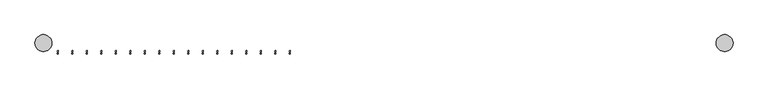
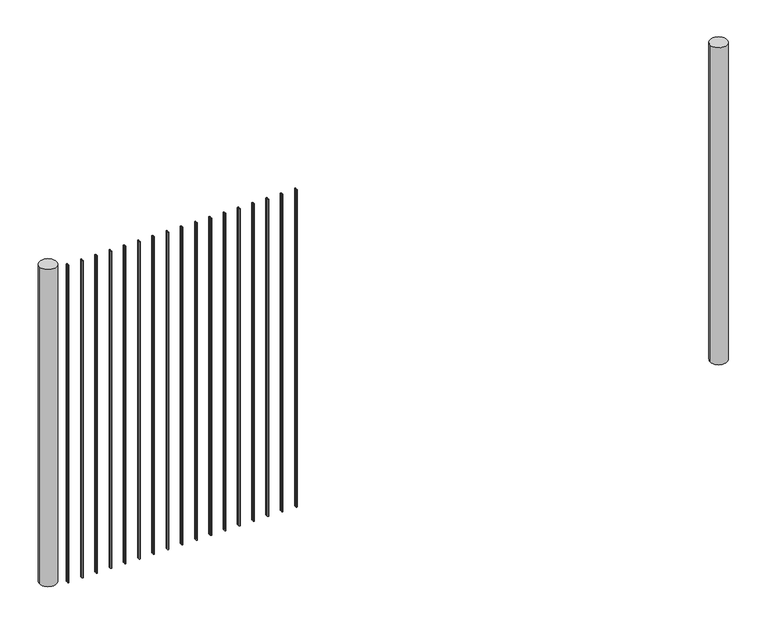
"""IFC4 building model written with IfcOpenShell, lengths in millimetres: railing geometry."""

import ifcopenshell
import ifcopenshell.guid

model = None  # the IFC model being written
_history = None  # IfcOwnerHistory: only IFC2X3 demands one
_inside = {}  # id of a spatial element -> (the spatial element, [elements in it])
_under = {}  # id of a project, library or spatial element -> (it, [spatial elements below it])
_declared = {}  # id of a project -> (the project, [libraries it declares])
_typed = {}  # id of a type object -> (the type object, [elements of that type])
_made_of = {}  # id of a material, layer set ... -> (it, [elements and type objects made of it])


def new_model(schema):
    """Start an empty IFC model of exactly this schema.

    Asked for "IFC4X3", IfcOpenShell would pick the latest addendum, in which some entities
    have other attributes; the version numbers below select the first issue.
    IFC2X3 requires an IfcOwnerHistory on every rooted entity: one is made here for all.
    """
    global model, _history
    if schema == "IFC4X3":
        model = ifcopenshell.file(schema_version=(4, 3, 0, 0))
    else:
        model = ifcopenshell.file(schema=schema)
    _inside.clear()
    _under.clear()
    _declared.clear()
    _typed.clear()
    _made_of.clear()
    _history = None
    if model.schema == "IFC2X3":
        org = make("IfcOrganization", Name="unknown")
        user = make(
            "IfcPersonAndOrganization",
            ThePerson=make("IfcPerson", FamilyName="unknown"),
            TheOrganization=org,
        )
        app = make(
            "IfcApplication",
            ApplicationDeveloper=org,
            Version="unknown",
            ApplicationFullName="unknown",
            ApplicationIdentifier="unknown",
        )
        _history = make(
            "IfcOwnerHistory",
            OwningUser=user,
            OwningApplication=app,
            ChangeAction="ADDED",
            CreationDate=0,
        )
    return model


def make(cls, **values):
    """One entity of the class cls with the attributes given. An attribute that is None is left unset."""
    return model.create_entity(
        cls, **{name: value for name, value in values.items() if value is not None}
    )


def rooted(cls, **values):
    """An entity with a GlobalId (a new one), such as an element, a storey or a relation."""
    return make(cls, GlobalId=ifcopenshell.guid.new(), OwnerHistory=_history, **values)


def si_unit(unit_type, name, prefix=None):
    """IfcSIUnit, for example si_unit("LENGTHUNIT", "METRE", prefix="MILLI")."""
    return make("IfcSIUnit", UnitType=unit_type, Prefix=prefix, Name=name)


def assignment(units):
    """IfcUnitAssignment: the units of a project."""
    return None if units is None else make("IfcUnitAssignment", Units=units)


def point(xyz):
    """IfcCartesianPoint."""
    return None if xyz is None else make("IfcCartesianPoint", Coordinates=xyz)


def direction(xyz):
    """IfcDirection."""
    return None if xyz is None else make("IfcDirection", DirectionRatios=xyz)


def frame(location, z_axis=None, x_axis=None):
    """IfcAxis2Placement3D, a coordinate frame: its origin and axes. An axis left out is left unset."""
    return make(
        "IfcAxis2Placement3D",
        Location=point(location),
        Axis=direction(z_axis),
        RefDirection=direction(x_axis),
    )


def frame_2d(location, x_axis=None):
    """IfcAxis2Placement2D, a coordinate frame in the plane: its origin and x axis."""
    return make(
        "IfcAxis2Placement2D", Location=point(location), RefDirection=direction(x_axis)
    )


def origin():
    """The frame at (0, 0, 0) with its axes left unset."""
    return frame((0.0, 0.0, 0.0))


def place(relative_to, where):
    """IfcLocalPlacement: puts the frame where relative to a parent placement (None: the world)."""
    return make(
        "IfcLocalPlacement", PlacementRelTo=relative_to, RelativePlacement=where
    )


def context(
    kind, dimensions, precision=None, world=None, true_north=None, identifier=None
):
    """IfcGeometricRepresentationContext, for example the 3D "Model" context."""
    return make(
        "IfcGeometricRepresentationContext",
        ContextIdentifier=identifier,
        ContextType=kind,
        CoordinateSpaceDimension=dimensions,
        Precision=precision,
        WorldCoordinateSystem=world,
        TrueNorth=true_north,
    )


def project(units=None, contexts=None):
    """IfcProject with its units and contexts."""
    return rooted(
        "IfcProject",
        Name="project",
        RepresentationContexts=contexts,
        UnitsInContext=assignment(units),
    )


def spatial(cls, under=None, at=None, **own):
    """A site, building, storey or space (cls), placed at a placement, below another one or the project."""
    s = rooted(cls, ObjectPlacement=at, **own)
    if under is not None:
        _under.setdefault(under.id(), (under, []))[1].append(s)
    return s


def circle_curve(where, radius):
    """IfcCircle in the frame where."""
    return make("IfcCircle", Position=where, Radius=radius)


def trimmed(basis, trim1, trim2, sense, master):
    """IfcTrimmedCurve: the piece of a basis curve between two trims."""
    return make(
        "IfcTrimmedCurve",
        BasisCurve=basis,
        Trim1=trim1,
        Trim2=trim2,
        SenseAgreement=sense,
        MasterRepresentation=master,
    )


def segment(curve, same_sense, transition):
    """IfcCompositeCurveSegment."""
    return make(
        "IfcCompositeCurveSegment",
        Transition=transition,
        SameSense=same_sense,
        ParentCurve=curve,
    )


def composite_curve(segments, self_intersect=None):
    """IfcCompositeCurve: segments joined end to end."""
    return make("IfcCompositeCurve", Segments=segments, SelfIntersect=self_intersect)


def outline(outer, holes=None, kind="AREA"):
    """IfcArbitraryClosedProfileDef: a profile drawn as a closed curve; with holes, ...WithVoids."""
    if holes is None:
        return make("IfcArbitraryClosedProfileDef", ProfileType=kind, OuterCurve=outer)
    return make(
        "IfcArbitraryProfileDefWithVoids",
        ProfileType=kind,
        OuterCurve=outer,
        InnerCurves=holes,
    )


def extrude(swept, where, along, depth):
    """IfcExtrudedAreaSolid: the profile swept, set in the frame where, extruded along a direction by depth."""
    return make(
        "IfcExtrudedAreaSolid",
        SweptArea=swept,
        Position=where,
        ExtrudedDirection=direction(along),
        Depth=depth,
    )


def shape(context_of_items, identifier, shape_type, items):
    """IfcShapeRepresentation: the items that make up one representation, for example the "Body"."""
    return make(
        "IfcShapeRepresentation",
        ContextOfItems=context_of_items,
        RepresentationIdentifier=identifier,
        RepresentationType=shape_type,
        Items=items,
    )


def source(mapping_origin, context_of_items, identifier, shape_type, items):
    """IfcRepresentationMap: a shape defined once, which mapped items show again and again."""
    return make(
        "IfcRepresentationMap",
        MappingOrigin=mapping_origin,
        MappedRepresentation=shape(context_of_items, identifier, shape_type, items),
    )


def transform(
    local_origin,
    x_axis=None,
    y_axis=None,
    z_axis=None,
    scale=None,
    scale2=None,
    scale3=None,
    uniform=True,
):
    """IfcCartesianTransformationOperator3D, or its non-uniform kind. x_axis, y_axis, z_axis: its Axis1, 2, 3."""
    if uniform:
        return make(
            "IfcCartesianTransformationOperator3D",
            Axis1=direction(x_axis),
            Axis2=direction(y_axis),
            LocalOrigin=point(local_origin),
            Scale=scale,
            Axis3=direction(z_axis),
        )
    return make(
        "IfcCartesianTransformationOperator3DnonUniform",
        Axis1=direction(x_axis),
        Axis2=direction(y_axis),
        LocalOrigin=point(local_origin),
        Scale=scale,
        Axis3=direction(z_axis),
        Scale2=scale2,
        Scale3=scale3,
    )


def mapped(mapping_source, mapping_target):
    """IfcMappedItem: shows the shape of a source again, moved by a transform."""
    return make(
        "IfcMappedItem", MappingSource=mapping_source, MappingTarget=mapping_target
    )


def made_of(thing, what):
    """Note that an element or type object is made of a material, layer set ...; save() writes the relation."""
    if what is not None:
        _made_of.setdefault(what.id(), (what, []))[1].append(thing)
    return thing


def element(
    cls,
    number,
    at=None,
    inside=None,
    cuts=None,
    type_object=None,
    material=None,
    context=None,
    identifier="Body",
    shape_type=None,
    held_by="IfcProductDefinitionShape",
    body=None,
    shapes=None,
    **own,
):
    """One element of the class cls, such as IfcWall. Its Tag is "e" and its number.

    at: its placement. inside: the storey or other place that contains it. cuts: it is an
    opening in that element (IfcRelVoidsElement). A single representation is given by context,
    identifier, shape_type and body (its items); several are given by shapes. held_by: the class
    of the entity that holds the representations. save() writes the other relations.
    """
    e = rooted(cls, Tag="e%d" % number, ObjectPlacement=at, **own)
    if body is not None:
        shapes = [shape(context, identifier, shape_type, body)]
    if shapes is not None:
        e.Representation = make(held_by, Representations=shapes)
    if inside is not None:
        _inside.setdefault(inside.id(), (inside, []))[1].append(e)
    if cuts is not None:
        rooted(
            "IfcRelVoidsElement", RelatingBuildingElement=cuts, RelatedOpeningElement=e
        )
    if type_object is not None:
        _typed.setdefault(type_object.id(), (type_object, []))[1].append(e)
    return made_of(e, material)


def aggregate(whole, parts):
    """IfcRelAggregates: a whole, such as a stair, and the parts it consists of."""
    return rooted("IfcRelAggregates", RelatingObject=whole, RelatedObjects=parts)


def save(model, path):
    """Write the relations noted so far, then the file.

    IfcRelAggregates (storeys below a building ...), IfcRelContainedInSpatialStructure (elements
    in a storey), IfcRelDefinesByType, IfcRelAssociatesMaterial and IfcRelDeclares: one each for
    every whole, place, type object, material and project.
    """
    for whole, parts in _under.values():
        aggregate(whole, parts)
    for where, things in _inside.values():
        rooted(
            "IfcRelContainedInSpatialStructure",
            RelatedElements=things,
            RelatingStructure=where,
        )
    for kind, things in _typed.values():
        rooted("IfcRelDefinesByType", RelatedObjects=things, RelatingType=kind)
    for what, things in _made_of.values():
        rooted("IfcRelAssociatesMaterial", RelatedObjects=things, RelatingMaterial=what)
    for by, libraries in _declared.values():
        rooted("IfcRelDeclares", RelatingContext=by, RelatedDefinitions=libraries)
    model.write(path)


def railing_dc4188cf(model_context):
    return source(origin(), model_context, "Body", "SweptSolid", [
        extrude(outline(composite_curve([segment(trimmed(circle_curve(frame_2d((-10403.4836695, -1794.6212363)), 2.0574), [point((-10403.4836695, -1796.6786363))], [point((-10403.4836695, -1792.5638363))], False, "CARTESIAN"), True, "CONTINUOUS"), segment(trimmed(circle_curve(frame_2d((-10403.4836695, -1794.6212363)), 2.0574), [point((-10403.4836695, -1792.5638363))], [point((-10403.4836695, -1796.6786363))], False, "CARTESIAN"), True, "CONTINUOUS")], self_intersect=False)), frame((0.0, 0.0, 7620.0), z_axis=(0.0, 0.0, 1.0), x_axis=(1.0, 0.0, 0.0)), (0.0, 0.0, 1.0), 1219.2),
        extrude(outline(composite_curve([segment(trimmed(circle_curve(frame_2d((-10403.4836695, -1802.8508363)), 2.0574), [point((-10403.4836695, -1800.7934363))], [point((-10403.4836695, -1804.9082363))], False, "CARTESIAN"), True, "CONTINUOUS"), segment(trimmed(circle_curve(frame_2d((-10403.4836695, -1802.8508363)), 2.0574), [point((-10403.4836695, -1804.9082363))], [point((-10403.4836695, -1800.7934363))], False, "CARTESIAN"), True, "CONTINUOUS")], self_intersect=False)), frame((0.0, 0.0, 7620.0), z_axis=(0.0, 0.0, 1.0), x_axis=(1.0, 0.0, 0.0)), (0.0, 0.0, 1.0), 1219.2),
        extrude(outline(composite_curve([segment(trimmed(circle_curve(frame_2d((-10455.3645206, -1794.6212363)), 2.0574), [point((-10455.3645206, -1796.6786363))], [point((-10455.3645206, -1792.5638363))], False, "CARTESIAN"), True, "CONTINUOUS"), segment(trimmed(circle_curve(frame_2d((-10455.3645206, -1794.6212363)), 2.0574), [point((-10455.3645206, -1792.5638363))], [point((-10455.3645206, -1796.6786363))], False, "CARTESIAN"), True, "CONTINUOUS")], self_intersect=False)), frame((0.0, 0.0, 7620.0), z_axis=(0.0, 0.0, 1.0), x_axis=(1.0, 0.0, 0.0)), (0.0, 0.0, 1.0), 1219.2),
        extrude(outline(composite_curve([segment(trimmed(circle_curve(frame_2d((-10455.3645206, -1802.8508363)), 2.0574), [point((-10455.3645206, -1800.7934363))], [point((-10455.3645206, -1804.9082363))], False, "CARTESIAN"), True, "CONTINUOUS"), segment(trimmed(circle_curve(frame_2d((-10455.3645206, -1802.8508363)), 2.0574), [point((-10455.3645206, -1804.9082363))], [point((-10455.3645206, -1800.7934363))], False, "CARTESIAN"), True, "CONTINUOUS")], self_intersect=False)), frame((0.0, 0.0, 7620.0), z_axis=(0.0, 0.0, 1.0), x_axis=(1.0, 0.0, 0.0)), (0.0, 0.0, 1.0), 1219.2),
        extrude(outline(composite_curve([segment(trimmed(circle_curve(frame_2d((-10507.2453717, -1794.6212363)), 2.0574), [point((-10507.2453717, -1796.6786363))], [point((-10507.2453717, -1792.5638363))], False, "CARTESIAN"), True, "CONTINUOUS"), segment(trimmed(circle_curve(frame_2d((-10507.2453717, -1794.6212363)), 2.0574), [point((-10507.2453717, -1792.5638363))], [point((-10507.2453717, -1796.6786363))], False, "CARTESIAN"), True, "CONTINUOUS")], self_intersect=False)), frame((0.0, 0.0, 7620.0), z_axis=(0.0, 0.0, 1.0), x_axis=(1.0, 0.0, 0.0)), (0.0, 0.0, 1.0), 1219.2),
        extrude(outline(composite_curve([segment(trimmed(circle_curve(frame_2d((-10507.2453717, -1802.8508363)), 2.0574), [point((-10507.2453717, -1800.7934363))], [point((-10507.2453717, -1804.9082363))], False, "CARTESIAN"), True, "CONTINUOUS"), segment(trimmed(circle_curve(frame_2d((-10507.2453717, -1802.8508363)), 2.0574), [point((-10507.2453717, -1804.9082363))], [point((-10507.2453717, -1800.7934363))], False, "CARTESIAN"), True, "CONTINUOUS")], self_intersect=False)), frame((0.0, 0.0, 7620.0), z_axis=(0.0, 0.0, 1.0), x_axis=(1.0, 0.0, 0.0)), (0.0, 0.0, 1.0), 1219.2),
        extrude(outline(composite_curve([segment(trimmed(circle_curve(frame_2d((-10559.1262227, -1794.6212363)), 2.0574), [point((-10559.1262227, -1796.6786363))], [point((-10559.1262227, -1792.5638363))], False, "CARTESIAN"), True, "CONTINUOUS"), segment(trimmed(circle_curve(frame_2d((-10559.1262227, -1794.6212363)), 2.0574), [point((-10559.1262227, -1792.5638363))], [point((-10559.1262227, -1796.6786363))], False, "CARTESIAN"), True, "CONTINUOUS")], self_intersect=False)), frame((0.0, 0.0, 7620.0), z_axis=(0.0, 0.0, 1.0), x_axis=(1.0, 0.0, 0.0)), (0.0, 0.0, 1.0), 1219.2),
        extrude(outline(composite_curve([segment(trimmed(circle_curve(frame_2d((-10559.1262227, -1802.8508363)), 2.0574), [point((-10559.1262227, -1800.7934363))], [point((-10559.1262227, -1804.9082363))], False, "CARTESIAN"), True, "CONTINUOUS"), segment(trimmed(circle_curve(frame_2d((-10559.1262227, -1802.8508363)), 2.0574), [point((-10559.1262227, -1804.9082363))], [point((-10559.1262227, -1800.7934363))], False, "CARTESIAN"), True, "CONTINUOUS")], self_intersect=False)), frame((0.0, 0.0, 7620.0), z_axis=(0.0, 0.0, 1.0), x_axis=(1.0, 0.0, 0.0)), (0.0, 0.0, 1.0), 1219.2),
        extrude(outline(composite_curve([segment(trimmed(circle_curve(frame_2d((-10611.0070738, -1794.6212363)), 2.0574), [point((-10611.0070738, -1796.6786363))], [point((-10611.0070738, -1792.5638363))], False, "CARTESIAN"), True, "CONTINUOUS"), segment(trimmed(circle_curve(frame_2d((-10611.0070738, -1794.6212363)), 2.0574), [point((-10611.0070738, -1792.5638363))], [point((-10611.0070738, -1796.6786363))], False, "CARTESIAN"), True, "CONTINUOUS")], self_intersect=False)), frame((0.0, 0.0, 7620.0), z_axis=(0.0, 0.0, 1.0), x_axis=(1.0, 0.0, 0.0)), (0.0, 0.0, 1.0), 1219.2),
        extrude(outline(composite_curve([segment(trimmed(circle_curve(frame_2d((-10611.0070738, -1802.8508363)), 2.0574), [point((-10611.0070738, -1800.7934363))], [point((-10611.0070738, -1804.9082363))], False, "CARTESIAN"), True, "CONTINUOUS"), segment(trimmed(circle_curve(frame_2d((-10611.0070738, -1802.8508363)), 2.0574), [point((-10611.0070738, -1804.9082363))], [point((-10611.0070738, -1800.7934363))], False, "CARTESIAN"), True, "CONTINUOUS")], self_intersect=False)), frame((0.0, 0.0, 7620.0), z_axis=(0.0, 0.0, 1.0), x_axis=(1.0, 0.0, 0.0)), (0.0, 0.0, 1.0), 1219.2),
        extrude(outline(composite_curve([segment(trimmed(circle_curve(frame_2d((-10662.8879248, -1794.6212363)), 2.0574), [point((-10662.8879248, -1796.6786363))], [point((-10662.8879248, -1792.5638363))], False, "CARTESIAN"), True, "CONTINUOUS"), segment(trimmed(circle_curve(frame_2d((-10662.8879248, -1794.6212363)), 2.0574), [point((-10662.8879248, -1792.5638363))], [point((-10662.8879248, -1796.6786363))], False, "CARTESIAN"), True, "CONTINUOUS")], self_intersect=False)), frame((0.0, 0.0, 7620.0), z_axis=(0.0, 0.0, 1.0), x_axis=(1.0, 0.0, 0.0)), (0.0, 0.0, 1.0), 1219.2),
        extrude(outline(composite_curve([segment(trimmed(circle_curve(frame_2d((-10662.8879248, -1802.8508363)), 2.0574), [point((-10662.8879248, -1800.7934363))], [point((-10662.8879248, -1804.9082363))], False, "CARTESIAN"), True, "CONTINUOUS"), segment(trimmed(circle_curve(frame_2d((-10662.8879248, -1802.8508363)), 2.0574), [point((-10662.8879248, -1804.9082363))], [point((-10662.8879248, -1800.7934363))], False, "CARTESIAN"), True, "CONTINUOUS")], self_intersect=False)), frame((0.0, 0.0, 7620.0), z_axis=(0.0, 0.0, 1.0), x_axis=(1.0, 0.0, 0.0)), (0.0, 0.0, 1.0), 1219.2),
        extrude(outline(composite_curve([segment(trimmed(circle_curve(frame_2d((-10714.7687759, -1794.6212363)), 2.0574), [point((-10714.7687759, -1796.6786363))], [point((-10714.7687759, -1792.5638363))], False, "CARTESIAN"), True, "CONTINUOUS"), segment(trimmed(circle_curve(frame_2d((-10714.7687759, -1794.6212363)), 2.0574), [point((-10714.7687759, -1792.5638363))], [point((-10714.7687759, -1796.6786363))], False, "CARTESIAN"), True, "CONTINUOUS")], self_intersect=False)), frame((0.0, 0.0, 7620.0), z_axis=(0.0, 0.0, 1.0), x_axis=(1.0, 0.0, 0.0)), (0.0, 0.0, 1.0), 1219.2),
        extrude(outline(composite_curve([segment(trimmed(circle_curve(frame_2d((-10714.7687759, -1802.8508363)), 2.0574), [point((-10714.7687759, -1800.7934363))], [point((-10714.7687759, -1804.9082363))], False, "CARTESIAN"), True, "CONTINUOUS"), segment(trimmed(circle_curve(frame_2d((-10714.7687759, -1802.8508363)), 2.0574), [point((-10714.7687759, -1804.9082363))], [point((-10714.7687759, -1800.7934363))], False, "CARTESIAN"), True, "CONTINUOUS")], self_intersect=False)), frame((0.0, 0.0, 7620.0), z_axis=(0.0, 0.0, 1.0), x_axis=(1.0, 0.0, 0.0)), (0.0, 0.0, 1.0), 1219.2),
        extrude(outline(composite_curve([segment(trimmed(circle_curve(frame_2d((-10766.649627, -1794.6212363)), 2.0574), [point((-10766.649627, -1796.6786363))], [point((-10766.649627, -1792.5638363))], False, "CARTESIAN"), True, "CONTINUOUS"), segment(trimmed(circle_curve(frame_2d((-10766.649627, -1794.6212363)), 2.0574), [point((-10766.649627, -1792.5638363))], [point((-10766.649627, -1796.6786363))], False, "CARTESIAN"), True, "CONTINUOUS")], self_intersect=False)), frame((0.0, 0.0, 7620.0), z_axis=(0.0, 0.0, 1.0), x_axis=(1.0, 0.0, 0.0)), (0.0, 0.0, 1.0), 1219.2),
        extrude(outline(composite_curve([segment(trimmed(circle_curve(frame_2d((-10766.649627, -1802.8508363)), 2.0574), [point((-10766.649627, -1800.7934363))], [point((-10766.649627, -1804.9082363))], False, "CARTESIAN"), True, "CONTINUOUS"), segment(trimmed(circle_curve(frame_2d((-10766.649627, -1802.8508363)), 2.0574), [point((-10766.649627, -1804.9082363))], [point((-10766.649627, -1800.7934363))], False, "CARTESIAN"), True, "CONTINUOUS")], self_intersect=False)), frame((0.0, 0.0, 7620.0), z_axis=(0.0, 0.0, 1.0), x_axis=(1.0, 0.0, 0.0)), (0.0, 0.0, 1.0), 1219.2),
        extrude(outline(composite_curve([segment(trimmed(circle_curve(frame_2d((-10818.530478, -1794.6212363)), 2.0574), [point((-10818.530478, -1796.6786363))], [point((-10818.530478, -1792.5638363))], False, "CARTESIAN"), True, "CONTINUOUS"), segment(trimmed(circle_curve(frame_2d((-10818.530478, -1794.6212363)), 2.0574), [point((-10818.530478, -1792.5638363))], [point((-10818.530478, -1796.6786363))], False, "CARTESIAN"), True, "CONTINUOUS")], self_intersect=False)), frame((0.0, 0.0, 7620.0), z_axis=(0.0, 0.0, 1.0), x_axis=(1.0, 0.0, 0.0)), (0.0, 0.0, 1.0), 1219.2),
        extrude(outline(composite_curve([segment(trimmed(circle_curve(frame_2d((-10818.530478, -1802.8508363)), 2.0574), [point((-10818.530478, -1800.7934363))], [point((-10818.530478, -1804.9082363))], False, "CARTESIAN"), True, "CONTINUOUS"), segment(trimmed(circle_curve(frame_2d((-10818.530478, -1802.8508363)), 2.0574), [point((-10818.530478, -1804.9082363))], [point((-10818.530478, -1800.7934363))], False, "CARTESIAN"), True, "CONTINUOUS")], self_intersect=False)), frame((0.0, 0.0, 7620.0), z_axis=(0.0, 0.0, 1.0), x_axis=(1.0, 0.0, 0.0)), (0.0, 0.0, 1.0), 1219.2),
        extrude(outline(composite_curve([segment(trimmed(circle_curve(frame_2d((-10870.4113291, -1794.6212363)), 2.0574), [point((-10870.4113291, -1796.6786363))], [point((-10870.4113291, -1792.5638363))], False, "CARTESIAN"), True, "CONTINUOUS"), segment(trimmed(circle_curve(frame_2d((-10870.4113291, -1794.6212363)), 2.0574), [point((-10870.4113291, -1792.5638363))], [point((-10870.4113291, -1796.6786363))], False, "CARTESIAN"), True, "CONTINUOUS")], self_intersect=False)), frame((0.0, 0.0, 7620.0), z_axis=(0.0, 0.0, 1.0), x_axis=(1.0, 0.0, 0.0)), (0.0, 0.0, 1.0), 1219.2),
        extrude(outline(composite_curve([segment(trimmed(circle_curve(frame_2d((-10870.4113291, -1802.8508363)), 2.0574), [point((-10870.4113291, -1800.7934363))], [point((-10870.4113291, -1804.9082363))], False, "CARTESIAN"), True, "CONTINUOUS"), segment(trimmed(circle_curve(frame_2d((-10870.4113291, -1802.8508363)), 2.0574), [point((-10870.4113291, -1804.9082363))], [point((-10870.4113291, -1800.7934363))], False, "CARTESIAN"), True, "CONTINUOUS")], self_intersect=False)), frame((0.0, 0.0, 7620.0), z_axis=(0.0, 0.0, 1.0), x_axis=(1.0, 0.0, 0.0)), (0.0, 0.0, 1.0), 1219.2),
        extrude(outline(composite_curve([segment(trimmed(circle_curve(frame_2d((-10922.2921802, -1794.6212363)), 2.0574), [point((-10922.2921802, -1796.6786363))], [point((-10922.2921802, -1792.5638363))], False, "CARTESIAN"), True, "CONTINUOUS"), segment(trimmed(circle_curve(frame_2d((-10922.2921802, -1794.6212363)), 2.0574), [point((-10922.2921802, -1792.5638363))], [point((-10922.2921802, -1796.6786363))], False, "CARTESIAN"), True, "CONTINUOUS")], self_intersect=False)), frame((0.0, 0.0, 7620.0), z_axis=(0.0, 0.0, 1.0), x_axis=(1.0, 0.0, 0.0)), (0.0, 0.0, 1.0), 1219.2),
        extrude(outline(composite_curve([segment(trimmed(circle_curve(frame_2d((-10922.2921802, -1802.8508363)), 2.0574), [point((-10922.2921802, -1800.7934363))], [point((-10922.2921802, -1804.9082363))], False, "CARTESIAN"), True, "CONTINUOUS"), segment(trimmed(circle_curve(frame_2d((-10922.2921802, -1802.8508363)), 2.0574), [point((-10922.2921802, -1804.9082363))], [point((-10922.2921802, -1800.7934363))], False, "CARTESIAN"), True, "CONTINUOUS")], self_intersect=False)), frame((0.0, 0.0, 7620.0), z_axis=(0.0, 0.0, 1.0), x_axis=(1.0, 0.0, 0.0)), (0.0, 0.0, 1.0), 1219.2),
        extrude(outline(composite_curve([segment(trimmed(circle_curve(frame_2d((-10974.1730312, -1794.6212363)), 2.0574), [point((-10974.1730312, -1796.6786363))], [point((-10974.1730312, -1792.5638363))], False, "CARTESIAN"), True, "CONTINUOUS"), segment(trimmed(circle_curve(frame_2d((-10974.1730312, -1794.6212363)), 2.0574), [point((-10974.1730312, -1792.5638363))], [point((-10974.1730312, -1796.6786363))], False, "CARTESIAN"), True, "CONTINUOUS")], self_intersect=False)), frame((0.0, 0.0, 7620.0), z_axis=(0.0, 0.0, 1.0), x_axis=(1.0, 0.0, 0.0)), (0.0, 0.0, 1.0), 1219.2),
        extrude(outline(composite_curve([segment(trimmed(circle_curve(frame_2d((-10974.1730312, -1802.8508363)), 2.0574), [point((-10974.1730312, -1800.7934363))], [point((-10974.1730312, -1804.9082363))], False, "CARTESIAN"), True, "CONTINUOUS"), segment(trimmed(circle_curve(frame_2d((-10974.1730312, -1802.8508363)), 2.0574), [point((-10974.1730312, -1804.9082363))], [point((-10974.1730312, -1800.7934363))], False, "CARTESIAN"), True, "CONTINUOUS")], self_intersect=False)), frame((0.0, 0.0, 7620.0), z_axis=(0.0, 0.0, 1.0), x_axis=(1.0, 0.0, 0.0)), (0.0, 0.0, 1.0), 1219.2),
        extrude(outline(composite_curve([segment(trimmed(circle_curve(frame_2d((-11026.0538823, -1794.6212363)), 2.0574), [point((-11026.0538823, -1796.6786363))], [point((-11026.0538823, -1792.5638363))], False, "CARTESIAN"), True, "CONTINUOUS"), segment(trimmed(circle_curve(frame_2d((-11026.0538823, -1794.6212363)), 2.0574), [point((-11026.0538823, -1792.5638363))], [point((-11026.0538823, -1796.6786363))], False, "CARTESIAN"), True, "CONTINUOUS")], self_intersect=False)), frame((0.0, 0.0, 7620.0), z_axis=(0.0, 0.0, 1.0), x_axis=(1.0, 0.0, 0.0)), (0.0, 0.0, 1.0), 1219.2),
        extrude(outline(composite_curve([segment(trimmed(circle_curve(frame_2d((-11026.0538823, -1802.8508363)), 2.0574), [point((-11026.0538823, -1800.7934363))], [point((-11026.0538823, -1804.9082363))], False, "CARTESIAN"), True, "CONTINUOUS"), segment(trimmed(circle_curve(frame_2d((-11026.0538823, -1802.8508363)), 2.0574), [point((-11026.0538823, -1804.9082363))], [point((-11026.0538823, -1800.7934363))], False, "CARTESIAN"), True, "CONTINUOUS")], self_intersect=False)), frame((0.0, 0.0, 7620.0), z_axis=(0.0, 0.0, 1.0), x_axis=(1.0, 0.0, 0.0)), (0.0, 0.0, 1.0), 1219.2),
        extrude(outline(composite_curve([segment(trimmed(circle_curve(frame_2d((-11077.9347334, -1794.6212363)), 2.0574), [point((-11077.9347334, -1796.6786363))], [point((-11077.9347334, -1792.5638363))], False, "CARTESIAN"), True, "CONTINUOUS"), segment(trimmed(circle_curve(frame_2d((-11077.9347334, -1794.6212363)), 2.0574), [point((-11077.9347334, -1792.5638363))], [point((-11077.9347334, -1796.6786363))], False, "CARTESIAN"), True, "CONTINUOUS")], self_intersect=False)), frame((0.0, 0.0, 7620.0), z_axis=(0.0, 0.0, 1.0), x_axis=(1.0, 0.0, 0.0)), (0.0, 0.0, 1.0), 1219.2),
        extrude(outline(composite_curve([segment(trimmed(circle_curve(frame_2d((-11077.9347334, -1802.8508363)), 2.0574), [point((-11077.9347334, -1800.7934363))], [point((-11077.9347334, -1804.9082363))], False, "CARTESIAN"), True, "CONTINUOUS"), segment(trimmed(circle_curve(frame_2d((-11077.9347334, -1802.8508363)), 2.0574), [point((-11077.9347334, -1804.9082363))], [point((-11077.9347334, -1800.7934363))], False, "CARTESIAN"), True, "CONTINUOUS")], self_intersect=False)), frame((0.0, 0.0, 7620.0), z_axis=(0.0, 0.0, 1.0), x_axis=(1.0, 0.0, 0.0)), (0.0, 0.0, 1.0), 1219.2),
        extrude(outline(composite_curve([segment(trimmed(circle_curve(frame_2d((-11129.8155844, -1794.6212363)), 2.0574), [point((-11129.8155844, -1796.6786363))], [point((-11129.8155844, -1792.5638363))], False, "CARTESIAN"), True, "CONTINUOUS"), segment(trimmed(circle_curve(frame_2d((-11129.8155844, -1794.6212363)), 2.0574), [point((-11129.8155844, -1792.5638363))], [point((-11129.8155844, -1796.6786363))], False, "CARTESIAN"), True, "CONTINUOUS")], self_intersect=False)), frame((0.0, 0.0, 7620.0), z_axis=(0.0, 0.0, 1.0), x_axis=(1.0, 0.0, 0.0)), (0.0, 0.0, 1.0), 1219.2),
        extrude(outline(composite_curve([segment(trimmed(circle_curve(frame_2d((-11129.8155844, -1802.8508363)), 2.0574), [point((-11129.8155844, -1800.7934363))], [point((-11129.8155844, -1804.9082363))], False, "CARTESIAN"), True, "CONTINUOUS"), segment(trimmed(circle_curve(frame_2d((-11129.8155844, -1802.8508363)), 2.0574), [point((-11129.8155844, -1804.9082363))], [point((-11129.8155844, -1800.7934363))], False, "CARTESIAN"), True, "CONTINUOUS")], self_intersect=False)), frame((0.0, 0.0, 7620.0), z_axis=(0.0, 0.0, 1.0), x_axis=(1.0, 0.0, 0.0)), (0.0, 0.0, 1.0), 1219.2),
        extrude(outline(composite_curve([segment(trimmed(circle_curve(frame_2d((-11181.6964355, -1794.6212363)), 2.0574), [point((-11181.6964355, -1796.6786363))], [point((-11181.6964355, -1792.5638363))], False, "CARTESIAN"), True, "CONTINUOUS"), segment(trimmed(circle_curve(frame_2d((-11181.6964355, -1794.6212363)), 2.0574), [point((-11181.6964355, -1792.5638363))], [point((-11181.6964355, -1796.6786363))], False, "CARTESIAN"), True, "CONTINUOUS")], self_intersect=False)), frame((0.0, 0.0, 7620.0), z_axis=(0.0, 0.0, 1.0), x_axis=(1.0, 0.0, 0.0)), (0.0, 0.0, 1.0), 1219.2),
        extrude(outline(composite_curve([segment(trimmed(circle_curve(frame_2d((-11181.6964355, -1802.8508363)), 2.0574), [point((-11181.6964355, -1800.7934363))], [point((-11181.6964355, -1804.9082363))], False, "CARTESIAN"), True, "CONTINUOUS"), segment(trimmed(circle_curve(frame_2d((-11181.6964355, -1802.8508363)), 2.0574), [point((-11181.6964355, -1804.9082363))], [point((-11181.6964355, -1800.7934363))], False, "CARTESIAN"), True, "CONTINUOUS")], self_intersect=False)), frame((0.0, 0.0, 7620.0), z_axis=(0.0, 0.0, 1.0), x_axis=(1.0, 0.0, 0.0)), (0.0, 0.0, 1.0), 1219.2),
        extrude(outline(composite_curve([segment(trimmed(circle_curve(frame_2d((-11233.5772865, -1794.6212363)), 2.0574), [point((-11233.5772865, -1796.6786363))], [point((-11233.5772865, -1792.5638363))], False, "CARTESIAN"), True, "CONTINUOUS"), segment(trimmed(circle_curve(frame_2d((-11233.5772865, -1794.6212363)), 2.0574), [point((-11233.5772865, -1792.5638363))], [point((-11233.5772865, -1796.6786363))], False, "CARTESIAN"), True, "CONTINUOUS")], self_intersect=False)), frame((0.0, 0.0, 7620.0), z_axis=(0.0, 0.0, 1.0), x_axis=(1.0, 0.0, 0.0)), (0.0, 0.0, 1.0), 1219.2),
        extrude(outline(composite_curve([segment(trimmed(circle_curve(frame_2d((-11233.5772865, -1802.8508363)), 2.0574), [point((-11233.5772865, -1800.7934363))], [point((-11233.5772865, -1804.9082363))], False, "CARTESIAN"), True, "CONTINUOUS"), segment(trimmed(circle_curve(frame_2d((-11233.5772865, -1802.8508363)), 2.0574), [point((-11233.5772865, -1804.9082363))], [point((-11233.5772865, -1800.7934363))], False, "CARTESIAN"), True, "CONTINUOUS")], self_intersect=False)), frame((0.0, 0.0, 7620.0), z_axis=(0.0, 0.0, 1.0), x_axis=(1.0, 0.0, 0.0)), (0.0, 0.0, 1.0), 1219.2),
        extrude(outline(composite_curve([segment(trimmed(circle_curve(frame_2d((-8847.0581376, -1765.3985363)), 30.1625), [point((-8877.2206376, -1765.3985363))], [point((-8816.8956376, -1765.3985363))], False, "CARTESIAN"), True, "CONTINUOUS"), segment(trimmed(circle_curve(frame_2d((-8847.0581376, -1765.3985363)), 30.1625), [point((-8816.8956376, -1765.3985363))], [point((-8877.2206376, -1765.3985363))], False, "CARTESIAN"), True, "CONTINUOUS")], self_intersect=False)), frame((0.0, 0.0, 7620.0), z_axis=(0.0, 0.0, 1.0), x_axis=(1.0, 0.0, 0.0)), (0.0, 0.0, 1.0), 1219.2),
        extrude(outline(composite_curve([segment(trimmed(circle_curve(frame_2d((-11285.4581376, -1765.3985363)), 30.1625), [point((-11315.6206376, -1765.3985363))], [point((-11255.2956376, -1765.3985363))], False, "CARTESIAN"), True, "CONTINUOUS"), segment(trimmed(circle_curve(frame_2d((-11285.4581376, -1765.3985363)), 30.1625), [point((-11255.2956376, -1765.3985363))], [point((-11315.6206376, -1765.3985363))], False, "CARTESIAN"), True, "CONTINUOUS")], self_intersect=False)), frame((0.0, 0.0, 7620.0), z_axis=(0.0, 0.0, 1.0), x_axis=(1.0, 0.0, 0.0)), (0.0, 0.0, 1.0), 1219.2),
    ])


if __name__ == "__main__":
    model = new_model("IFC4")
    model_context = context("Model", 3, world=origin())
    ifc_project = project(units=[si_unit("LENGTHUNIT", "METRE", prefix="MILLI")], contexts=[model_context])
    site = spatial("IfcSite", under=ifc_project)
    building = spatial("IfcBuilding", under=site)
    placement = place(None, origin())
    railing_shape = railing_dc4188cf(model_context)
    element("IfcRailing", 1, at=placement, inside=building, context=model_context, shape_type="MappedRepresentation", body=[
        mapped(railing_shape, transform((0.0, 0.0, 0.0), x_axis=(1.0, 0.0, 0.0), y_axis=(0.0, 1.0, 0.0), z_axis=(0.0, 0.0, 1.0))),
    ])
    save(model, "model.ifc")
